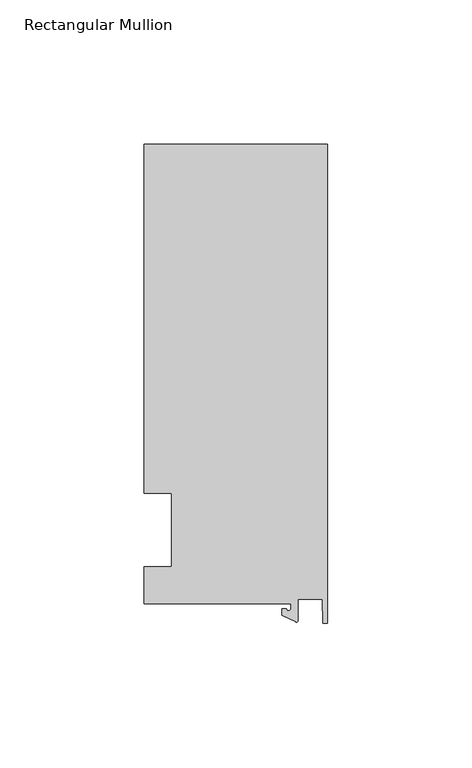
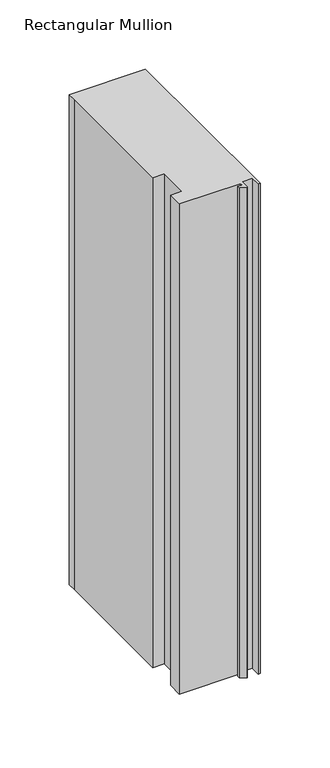
"""IFC4 building model written with IfcOpenShell, lengths in millimetres: member geometry, Rectangular Mullion."""

from ifc_helpers import new_model, si_unit, point, frame, frame_2d, origin, place, context, project, spatial, polyline, circle_curve, trimmed, segment, composite_curve, outline, extrude, source, transform, mapped, element, save


def rectangular_mullion_10fe3f92(model_context):
    return source(origin(), model_context, "Body", "SweptSolid", [
        extrude(outline(composite_curve([segment(polyline([(-12.6979967, -25.4849312), (-63.5, -25.4849312), (-63.5, -12.7), (-53.975, -12.7), (-53.975, 12.7), (-63.5, 12.7), (-63.5, 125.6958688), (-63.5, 133.4428688), (0.0, 133.4428688), (0.0, -32.288874), (-1.5658966, -32.288874), (-1.7144124, -23.9227662), (-10.3103967, -23.9227662), (-10.3103967, -31.3654561)]), True, "CONTINUOUS"), segment(trimmed(circle_curve(frame_2d((-10.8183967, -31.3654561)), 0.508), [point((-10.3103967, -31.3654561))], [point((-11.0330867, -31.8258605))], False, "CARTESIAN"), True, "CONTINUOUS"), segment(polyline([(-11.0330867, -31.8258605), (-15.8729967, -29.5689734), (-15.8729967, -27.2067741), (-14.2854967, -27.2067741)]), True, "CONTINUOUS"), segment(trimmed(circle_curve(frame_2d((-13.4917467, -27.2067741)), 0.79375), [point((-14.2854967, -27.2067741))], [point((-12.6979967, -27.2067741))], True, "CARTESIAN"), True, "CONTINUOUS"), segment(polyline([(-12.6979967, -27.2067741), (-12.6979967, -25.4849312)]), True, "CONTINUOUS")], self_intersect=False)), frame((0.0, 0.0, -431.8), z_axis=(0.0, 0.0, 1.0), x_axis=(1.0, 0.0, 0.0)), (0.0, 0.0, 1.0), 431.8),
    ])


if __name__ == "__main__":
    model = new_model("IFC4")
    model_context = context("Model", 3, world=origin())
    ifc_project = project(units=[si_unit("LENGTHUNIT", "METRE", prefix="MILLI")], contexts=[model_context])
    site = spatial("IfcSite", under=ifc_project)
    building = spatial("IfcBuilding", under=site)
    placement = place(None, origin())
    rectangular_mullion_shape = rectangular_mullion_10fe3f92(model_context)
    element("IfcMember", 1, ObjectType="Rectangular Mullion", at=placement, inside=building, context=model_context, shape_type="MappedRepresentation", body=[
        mapped(rectangular_mullion_shape, transform((0.0, 0.0, 0.0), x_axis=(1.0, 0.0, 0.0), y_axis=(0.0, 1.0, 0.0), z_axis=(0.0, 0.0, 1.0))),
    ])
    save(model, "model.ifc")
